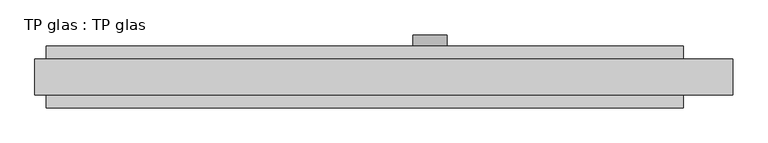
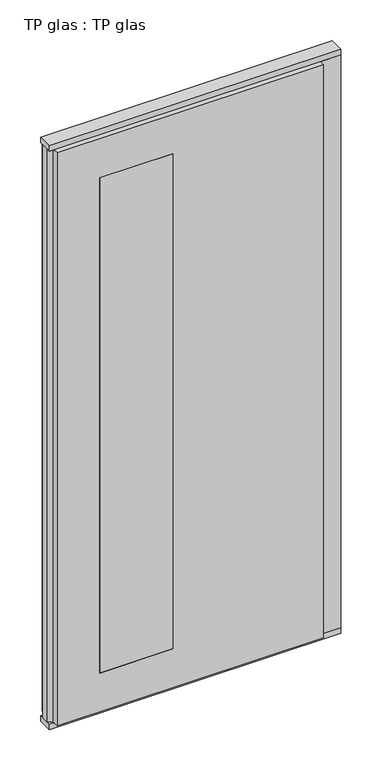
"""IFC4 building model written with IfcOpenShell, lengths in millimetres: plate geometry, TP glas : TP glas."""

from ifc_helpers import new_model, si_unit, point, frame, frame_2d, origin, origin_with_axes, place, context, project, spatial, polyline, circle_curve, trimmed, segment, composite_curve, outline, extrude, faceted_brep, source, transform, mapped, element, save


def tp_glas_tp_glas_8b102faf(model_context):
    return source(origin(), model_context, "Body", "SolidModel", [
        faceted_brep([(-600.0, 22.9993165, 25.0), (-600.0, 22.9993165, 2602.0), (-600.0, 55.0, 2602.0), (-600.0, 55.0, 25.0), (-620.0, 17.6401049, 25.0), (-620.0, 17.6401049, 2602.0), (-620.0, -17.6401049, 25.0), (-620.0, -17.6401049, 2602.0), (-600.0, -22.9993165, 25.0), (-600.0, -22.9993165, 2602.0), (-600.0, -55.0, 25.0), (-600.0, -55.0, 2602.0), (532.0507813, -55.0, 25.0), (532.0507813, 55.0, 25.0), (532.0507813, 30.5, 25.0), (620.0, 30.5, 25.0), (620.0, -30.5, 25.0), (532.0507813, -30.5, 25.0), (532.0507813, -30.5, 2602.0), (532.0507813, -55.0, 2602.0), (620.0, -30.5, 2602.0), (620.0, 30.5, 2602.0), (532.0507813, 30.5, 2602.0), (532.0507813, 55.0, 2602.0), (-420.0, 55.0, 2427.0), (-420.0, 55.0, 200.0), (-107.9492187, 55.0, 200.0), (-107.9492187, 55.0, 2427.0), (-107.9492187, -55.0, 2427.0), (-107.9492187, -55.0, 200.0), (-420.0, -55.0, 200.0), (-420.0, -55.0, 2427.0)], [[[0, 1, 2, 3]], [[4, 5, 1, 0]], [[6, 7, 5, 4]], [[8, 9, 7, 6]], [[10, 11, 9, 8]], [[12, 10, 8, 6, 4, 0, 3, 13, 14, 15, 16, 17]], [[17, 18, 19, 12]], [[16, 20, 18, 17]], [[15, 21, 20, 16]], [[14, 22, 21, 15]], [[13, 23, 22, 14]], [[3, 2, 23, 13], [24, 25, 26, 27]], [[11, 10, 12, 19], [28, 29, 30, 31]], [[23, 2, 1, 5, 7, 9, 11, 19, 18, 20, 21, 22]], [[28, 31, 24, 27]], [[31, 30, 25, 24]], [[30, 29, 26, 25]], [[27, 26, 29, 28]]]),
        extrude(outline(polyline([(-620.0, 32.0), (620.0, 32.0), (620.0, -32.0), (-620.0, -32.0), (-620.0, 32.0)])), origin_with_axes(), (0.0, 0.0, 1.0), 25.0),
        extrude(outline(polyline([(-620.0, 32.0), (620.0, 32.0), (620.0, -32.0), (-620.0, -32.0), (-620.0, 32.0)])), frame((0.0, 0.0, 2602.0), z_axis=(0.0, 0.0, 1.0), x_axis=(1.0, 0.0, 0.0)), (0.0, 0.0, 1.0), 25.0),
        extrude(outline(composite_curve([segment(trimmed(circle_curve(frame_2d((1040.0, 82.0507812)), 30.0), [point((1040.0, 112.0507813))], [point((1040.0, 52.0507812))], False, "CARTESIAN"), True, "CONTINUOUS"), segment(trimmed(circle_curve(frame_2d((1040.0, 82.0507812)), 30.0), [point((1040.0, 52.0507812))], [point((1040.0, 112.0507813))], False, "CARTESIAN"), True, "CONTINUOUS")], self_intersect=False)), frame((0.0, 55.0, 0.0), z_axis=(0.0, 1.0, 0.0), x_axis=(0.0, 0.0, 1.0)), (0.0, 0.0, 1.0), 20.0),
        extrude(outline(polyline([(-107.9492187, 55.0), (-107.9492187, -55.0), (-420.0, -55.0), (-420.0, 55.0), (-107.9492187, 55.0)])), frame((0.0, 0.0, 200.0), z_axis=(0.0, 0.0, 1.0), x_axis=(1.0, 0.0, 0.0)), (0.0, 0.0, 1.0), 2227.0),
    ])


if __name__ == "__main__":
    model = new_model("IFC4")
    model_context = context("Model", 3, world=origin())
    ifc_project = project(units=[si_unit("LENGTHUNIT", "METRE", prefix="MILLI")], contexts=[model_context])
    site = spatial("IfcSite", under=ifc_project)
    building = spatial("IfcBuilding", under=site)
    placement = place(None, origin())
    tp_glas_tp_glas_shape = tp_glas_tp_glas_8b102faf(model_context)
    element("IfcPlate", 1, ObjectType="TP glas : TP glas", at=placement, inside=building, context=model_context, shape_type="MappedRepresentation", body=[
        mapped(tp_glas_tp_glas_shape, transform((0.0, 0.0, 0.0), x_axis=(1.0, 0.0, 0.0), y_axis=(0.0, 1.0, 0.0), z_axis=(0.0, 0.0, 1.0))),
    ])
    save(model, "model.ifc")
